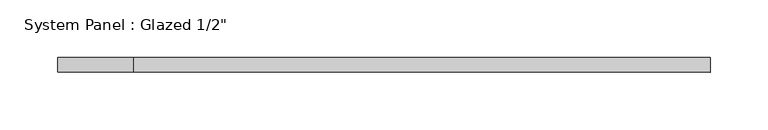
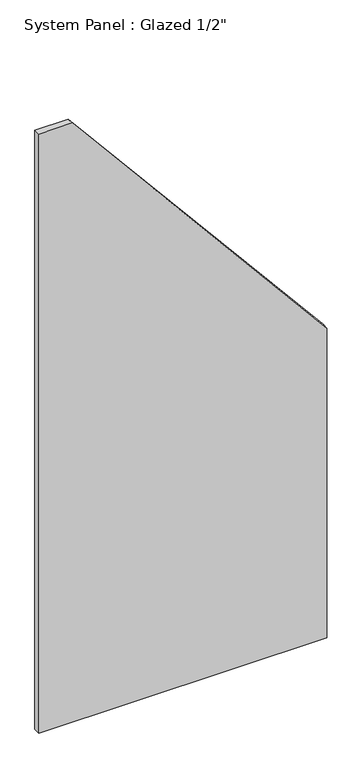
"""IFC4 building model written with IfcOpenShell, lengths in millimetres: plate geometry."""

from ifc_helpers import new_model, si_unit, frame, origin, place, context, project, spatial, polyline, outline, extrude, source, transform, mapped, element, save


def plate_2e8a1d26(model_context):
    return source(origin(), model_context, "Body", "SweptSolid", [
        extrude(outline(polyline([(0.0, -282.38739), (0.0, 282.38739), (641.684874, 282.38739), (1241.5880352, -216.7622119), (1241.5880352, -282.38739), (0.0, -282.38739)])), frame((0.0, -6.35, 0.0), z_axis=(0.0, 1.0, 0.0), x_axis=(0.0, 0.0, 1.0)), (0.0, 0.0, 1.0), 12.7),
    ])


if __name__ == "__main__":
    model = new_model("IFC4")
    model_context = context("Model", 3, world=origin())
    ifc_project = project(units=[si_unit("LENGTHUNIT", "METRE", prefix="MILLI")], contexts=[model_context])
    site = spatial("IfcSite", under=ifc_project)
    building = spatial("IfcBuilding", under=site)
    placement = place(None, origin())
    plate_shape = plate_2e8a1d26(model_context)
    element("IfcPlate", 1, ObjectType="System Panel : Glazed 1/2\"", at=placement, inside=building, context=model_context, shape_type="MappedRepresentation", body=[
        mapped(plate_shape, transform((0.0, 0.0, 0.0), x_axis=(1.0, 0.0, 0.0), y_axis=(0.0, 1.0, 0.0), z_axis=(0.0, 0.0, 1.0))),
    ])
    save(model, "model.ifc")
